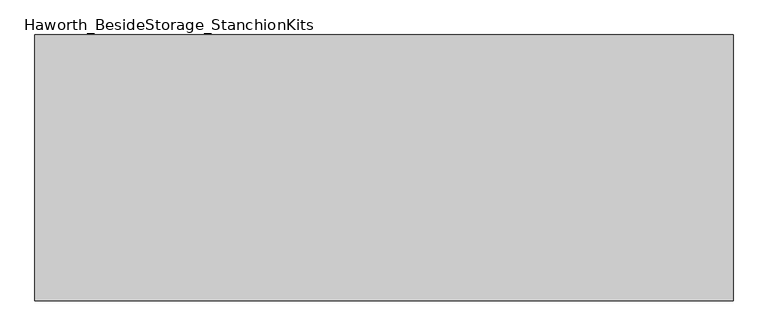
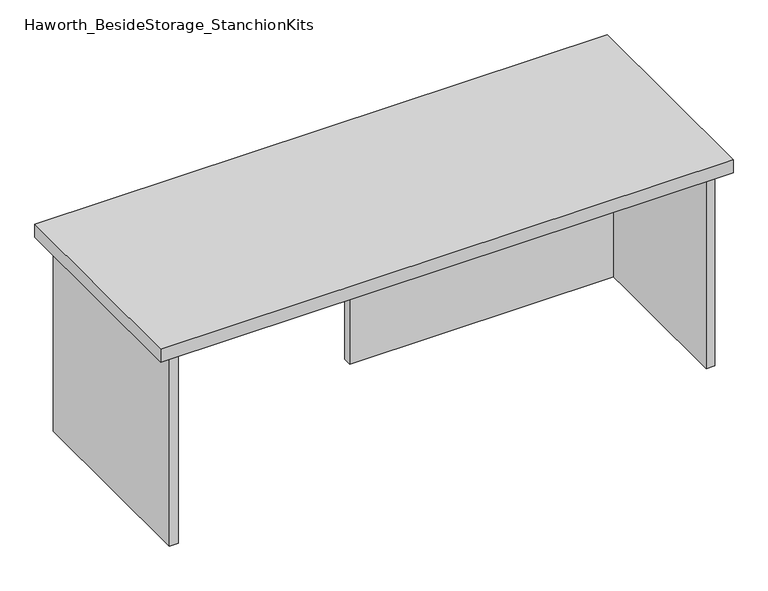
"""IFC4 building model written with IfcOpenShell, lengths in millimetres: furniture geometry, Haworth_BesideStorage_StanchionKits."""

from ifc_helpers import new_model, si_unit, frame, origin, place, context, project, spatial, polyline, outline, extrude, source, transform, mapped, element, save


def haworth_besidestorage_stanchionkits_319e7dbf(model_context):
    return source(origin(), model_context, "Body", "SweptSolid", [
        extrude(outline(polyline([(695.325, 0.0), (695.325, -406.4), (-371.475, -406.4), (-371.475, 0.0), (695.325, 0.0)])), frame((0.0, 0.0, 812.8), z_axis=(0.0, 0.0, 1.0), x_axis=(1.0, 0.0, 0.0)), (0.0, 0.0, 1.0), 25.4),
        extrude(outline(polyline([(161.925, -76.2), (654.05, -76.2), (654.05, -92.075), (161.925, -92.075), (161.925, -76.2)])), frame((0.0, 0.0, 431.8), z_axis=(0.0, 0.0, 1.0), x_axis=(1.0, 0.0, 0.0)), (0.0, 0.0, 1.0), 381.0),
        extrude(outline(polyline([(669.925, -390.525), (654.05, -390.525), (654.05, -15.875), (669.925, -15.875), (669.925, -390.525)])), frame((0.0, 0.0, 431.8), z_axis=(0.0, 0.0, 1.0), x_axis=(1.0, 0.0, 0.0)), (0.0, 0.0, 1.0), 381.0),
        extrude(outline(polyline([(-330.2, -390.525), (-346.075, -390.525), (-346.075, -15.875), (-330.2, -15.875), (-330.2, -390.525)])), frame((0.0, 0.0, 431.8), z_axis=(0.0, 0.0, 1.0), x_axis=(1.0, 0.0, 0.0)), (0.0, 0.0, 1.0), 381.0),
    ])


if __name__ == "__main__":
    model = new_model("IFC4")
    model_context = context("Model", 3, world=origin())
    ifc_project = project(units=[si_unit("LENGTHUNIT", "METRE", prefix="MILLI")], contexts=[model_context])
    site = spatial("IfcSite", under=ifc_project)
    building = spatial("IfcBuilding", under=site)
    placement = place(None, origin())
    haworth_besidestorage_stanchionkits_shape = haworth_besidestorage_stanchionkits_319e7dbf(model_context)
    element("IfcFurniture", 1, ObjectType="Haworth_BesideStorage_StanchionKits", at=placement, inside=building, context=model_context, shape_type="MappedRepresentation", body=[
        mapped(haworth_besidestorage_stanchionkits_shape, transform((0.0, 0.0, 0.0), x_axis=(1.0, 0.0, 0.0), y_axis=(0.0, 1.0, 0.0), z_axis=(0.0, 0.0, 1.0))),
    ])
    save(model, "model.ifc")
